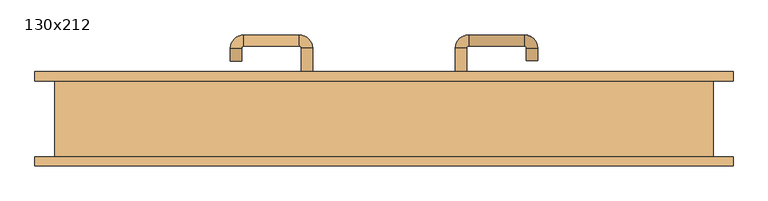
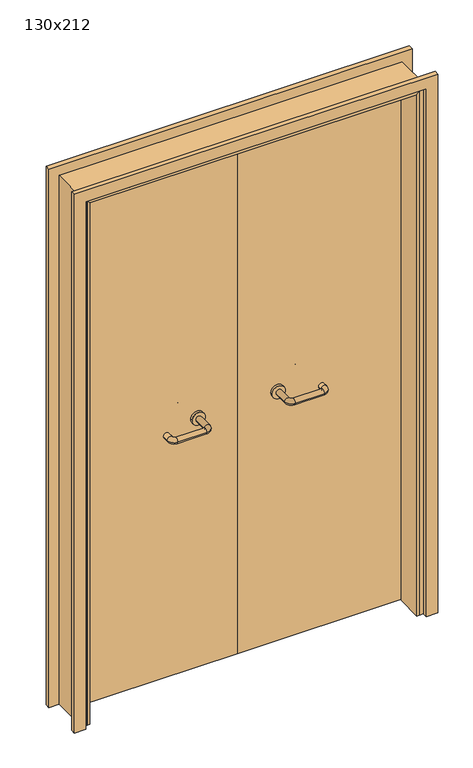
"""IFC4 building model written with IfcOpenShell, lengths in millimetres: door geometry, 130x212."""

from ifc_helpers import new_model, si_unit, point, frame, frame_2d, origin, place, context, project, spatial, polyline, circle_curve, ellipse_curve, trimmed, segment, composite_curve, outline, extrude, faceted_brep, source, transform, mapped, element, save
from ifc_brep_helpers import plane_surface, cylinder_surface, revolved_surface, advanced_brep


def door_130x212_e59250bb(model_context):
    return source(origin(), model_context, "Body", "SolidModel", [
        faceted_brep([(-620.0, 28.0, 0.0), (-620.0, -74.9, 0.0), (-630.0, -74.9, 0.0), (-630.0, 28.0, 0.0), (-620.0, 28.0, 2090.0), (-620.0, -74.9, 2090.0), (-630.0, -74.9, 2100.0), (-630.0, 28.0, 2100.0), (620.0, 28.0, 0.0), (630.0, 28.0, 0.0), (630.0, -74.9, 0.0), (620.0, -74.9, 0.0), (620.0, 28.0, 2090.0), (630.0, 28.0, 2100.0), (630.0, -74.9, 2100.0), (620.0, -74.9, 2090.0)], [[[0, 1, 2, 3]], [[1, 0, 4, 5]], [[2, 1, 5, 6]], [[3, 2, 6, 7]], [[0, 3, 7, 4]], [[8, 9, 10, 11]], [[12, 13, 9, 8]], [[13, 14, 10, 9]], [[14, 15, 11, 10]], [[15, 12, 8, 11]], [[5, 4, 12, 15]], [[6, 5, 15, 14]], [[7, 6, 14, 13]], [[4, 7, 13, 12]]]),
        extrude(outline(polyline([(2159.0, 689.0), (2159.0, -689.0), (0.0, -689.0), (0.0, -645.0), (2115.0, -645.0), (2115.0, 645.0), (0.0, 645.0), (0.0, 689.0), (2159.0, 689.0)])), frame((0.0, 75.0, 0.0), z_axis=(0.0, 1.0, 0.0), x_axis=(0.0, 0.0, 1.0)), (0.0, 0.0, 1.0), 18.0),
        extrude(outline(polyline([(2159.0, -689.0), (0.0, -689.0), (0.0, -645.0), (2115.0, -645.0), (2115.0, 645.0), (0.0, 645.0), (0.0, 689.0), (2159.0, 689.0), (2159.0, -689.0)])), frame((0.0, -93.0, 0.0), z_axis=(0.0, 1.0, 0.0), x_axis=(0.0, 0.0, 1.0)), (0.0, 0.0, 1.0), 18.0),
        extrude(outline(polyline([(2120.0, -650.0), (0.0, -650.0), (0.0, -630.0), (2100.0, -630.0), (2100.0, 630.0), (0.0, 630.0), (0.0, 650.0), (2120.0, 650.0), (2120.0, -650.0)])), frame((0.0, -74.9, 0.0), z_axis=(0.0, 1.0, 0.0), x_axis=(0.0, 0.0, 1.0)), (0.0, 0.0, 1.0), 149.9),
        advanced_brep(
        [(140.99898, 21.0, 1003.0), (162.99898, 21.0, 1003.0), (140.99898, -34.3525369, 1003.0), (162.99898, -34.3525369, 1003.0), (166.99898, -38.3525369, 1003.0), (166.99898, -60.3525369, 1003.0), (276.99898, -60.3525369, 1003.0), (276.99898, -38.3525369, 1003.0), (280.99898, -34.3525369, 1003.0), (302.99898, -34.3525369, 1003.0), (302.99898, -17.0, 1003.0), (280.99898, -17.0, 1003.0)],
        [
            (0, 1, circle_curve(frame((151.99898, 21.0, 1003.0), z_axis=(0.0, 1.0, 0.0), x_axis=(1.0, 0.0, 0.0)), 11.0)),
            (1, 0, circle_curve(frame((151.99898, 21.0, 1003.0), z_axis=(0.0, 1.0, 0.0), x_axis=(1.0, 0.0, 0.0)), 11.0)),
            (0, 2),
            (2, 3, circle_curve(frame((151.99898, -34.3525369, 1003.0), z_axis=(0.0, 1.0, 0.0), x_axis=(1.0, 0.0, 0.0)), 11.0)),
            (3, 1),
            (3, 2, circle_curve(frame((151.99898, -34.3525369, 1003.0), z_axis=(0.0, 1.0, 0.0), x_axis=(1.0, 0.0, 0.0)), 11.0)),
            (4, 3, circle_curve(frame((166.99898, -34.3525369, 1003.0), z_axis=(0.0, 0.0, -1.0), x_axis=(-1.0, 0.0, 0.0)), 4.0)),
            (2, 5, circle_curve(frame((166.99898, -34.3525369, 1003.0), z_axis=(0.0, 0.0, 1.0), x_axis=(-1.0, 0.0, 0.0)), 26.0)),
            (5, 4, circle_curve(frame((166.99898, -49.3525369, 1003.0), z_axis=(-1.0, 0.0, 0.0), x_axis=(0.0, 1.0, 0.0)), 11.0)),
            (4, 5, circle_curve(frame((166.99898, -49.3525369, 1003.0), z_axis=(-1.0, 0.0, 0.0), x_axis=(0.0, 1.0, 0.0)), 11.0)),
            (5, 6),
            (6, 7, circle_curve(frame((276.99898, -49.3525369, 1003.0), z_axis=(-1.0, 0.0, 0.0), x_axis=(0.0, 1.0, 0.0)), 11.0)),
            (7, 4),
            (7, 6, circle_curve(frame((276.99898, -49.3525369, 1003.0), z_axis=(-1.0, 0.0, 0.0), x_axis=(0.0, 1.0, 0.0)), 11.0)),
            (8, 7, circle_curve(frame((276.99898, -34.3525369, 1003.0), z_axis=(0.0, 0.0, -1.0), x_axis=(0.0, -1.0, 0.0)), 4.0)),
            (6, 9, circle_curve(frame((276.99898, -34.3525369, 1003.0), z_axis=(0.0, 0.0, 1.0), x_axis=(0.0, -1.0, 0.0)), 26.0)),
            (9, 8, circle_curve(frame((291.99898, -34.3525369, 1003.0), z_axis=(0.0, -1.0, 0.0), x_axis=(-1.0, 0.0, 0.0)), 11.0)),
            (8, 9, circle_curve(frame((291.99898, -34.3525369, 1003.0), z_axis=(0.0, -1.0, 0.0), x_axis=(-1.0, 0.0, 0.0)), 11.0)),
            (10, 11, circle_curve(frame((291.99898, -17.0, 1003.0), z_axis=(0.0, 1.0, 0.0), x_axis=(-1.0, 0.0, 0.0)), 11.0)),
            (11, 10, circle_curve(frame((291.99898, -17.0, 1003.0), z_axis=(0.0, 1.0, 0.0), x_axis=(-1.0, 0.0, 0.0)), 11.0)),
            (9, 10),
            (11, 8),
        ],
        [
            plane_surface(frame((140.99898, 21.0, 1003.0), z_axis=(0.0, 1.0, 0.0), x_axis=(0.0, 0.0, -1.0))),
            cylinder_surface(frame((151.99898, 21.0, 1003.0), z_axis=(0.0, 1.0, 0.0), x_axis=(1.0, 0.0, 0.0)), 11.0),
            revolved_surface(trimmed(ellipse_curve(frame((151.99898, -34.3525369, 1003.0), z_axis=(0.0, 1.0, 0.0), x_axis=(1.0, 0.0, 0.0)), 11.0, 11.0), [point((140.99898, -34.3525369, 1003.0))], [point((162.99898, -34.3525369, 1003.0))], True, "CARTESIAN"), (166.99898, -34.3525369, 1003.0), (0.0, 0.0, 1.0)),
            revolved_surface(trimmed(ellipse_curve(frame((151.99898, -34.3525369, 1003.0), z_axis=(0.0, 1.0, 0.0), x_axis=(1.0, 0.0, 0.0)), 11.0, 11.0), [point((162.99898, -34.3525369, 1003.0))], [point((140.99898, -34.3525369, 1003.0))], True, "CARTESIAN"), (166.99898, -34.3525369, 1003.0), (0.0, 0.0, 1.0)),
            cylinder_surface(frame((166.99898, -49.3525369, 1003.0), z_axis=(-1.0, 0.0, 0.0), x_axis=(0.0, 1.0, 0.0)), 11.0),
            revolved_surface(trimmed(ellipse_curve(frame((276.99898, -49.3525369, 1003.0), z_axis=(-1.0, 0.0, 0.0), x_axis=(0.0, 1.0, 0.0)), 11.0, 11.0), [point((276.99898, -60.3525369, 1003.0))], [point((276.99898, -38.3525369, 1003.0))], True, "CARTESIAN"), (276.99898, -34.3525369, 1003.0), (0.0, 0.0, 1.0)),
            revolved_surface(trimmed(ellipse_curve(frame((276.99898, -49.3525369, 1003.0), z_axis=(-1.0, 0.0, 0.0), x_axis=(0.0, 1.0, 0.0)), 11.0, 11.0), [point((276.99898, -38.3525369, 1003.0))], [point((276.99898, -60.3525369, 1003.0))], True, "CARTESIAN"), (276.99898, -34.3525369, 1003.0), (0.0, 0.0, 1.0)),
            plane_surface(frame((280.99898, -17.0, 1003.0), z_axis=(0.0, 1.0, 0.0), x_axis=(0.0, 0.0, 1.0))),
            cylinder_surface(frame((291.99898, -34.3525369, 1003.0), z_axis=(0.0, -1.0, 0.0), x_axis=(-1.0, 0.0, 0.0)), 11.0),
        ],
        [
            (0, [[1, 2]]),
            (1, [[-1, 3, 4, 5]]),
            (1, [[-2, -5, 6, -3]]),
            (2, [[7, -4, 8, 9]]),
            (3, [[-8, -6, -7, 10]]),
            (4, [[-9, 11, 12, 13]]),
            (4, [[-10, -13, 14, -11]]),
            (5, [[15, -12, 16, 17]]),
            (6, [[-16, -14, -15, 18]]),
            (7, [[19, 20]]),
            (8, [[-17, 21, -20, 22]]),
            (8, [[-18, -22, -19, -21]]),
        ],
    ),
        extrude(outline(composite_curve([segment(trimmed(circle_curve(frame_2d((1003.0, 151.99898)), 25.0), [point((1003.0, 126.99898))], [point((1003.0, 176.99898))], False, "CARTESIAN"), True, "CONTINUOUS"), segment(trimmed(circle_curve(frame_2d((1003.0, 151.99898)), 25.0), [point((1003.0, 176.99898))], [point((1003.0, 126.99898))], False, "CARTESIAN"), True, "CONTINUOUS")], self_intersect=False)), frame((0.0, 21.0, 0.0), z_axis=(0.0, 1.0, 0.0), x_axis=(0.0, 0.0, 1.0)), (0.0, 0.0, 1.0), 10.0),
        advanced_brep(
        [(162.99898, 85.0, 1003.0), (140.99898, 85.0, 1003.0), (162.99898, 140.0, 1003.0), (140.99898, 140.0, 1003.0), (166.99898, 166.0, 1003.0), (166.99898, 144.0, 1003.0), (276.99898, 144.0, 1003.0), (276.99898, 166.0, 1003.0), (302.99898, 140.0, 1003.0), (280.99898, 140.0, 1003.0), (280.99898, 115.0, 1003.0), (302.99898, 115.0, 1003.0)],
        [
            (0, 1, circle_curve(frame((151.99898, 85.0, 1003.0), z_axis=(0.0, -1.0, 0.0), x_axis=(-1.0, 0.0, 0.0)), 11.0)),
            (1, 0, circle_curve(frame((151.99898, 85.0, 1003.0), z_axis=(0.0, -1.0, 0.0), x_axis=(-1.0, 0.0, 0.0)), 11.0)),
            (0, 2),
            (2, 3, circle_curve(frame((151.99898, 140.0, 1003.0), z_axis=(0.0, -1.0, 0.0), x_axis=(-1.0, 0.0, 0.0)), 11.0)),
            (3, 1),
            (3, 2, circle_curve(frame((151.99898, 140.0, 1003.0), z_axis=(0.0, -1.0, 0.0), x_axis=(-1.0, 0.0, 0.0)), 11.0)),
            (4, 3, circle_curve(frame((166.99898, 140.0, 1003.0), z_axis=(0.0, 0.0, 1.0), x_axis=(-1.0, 0.0, 0.0)), 26.0)),
            (2, 5, circle_curve(frame((166.99898, 140.0, 1003.0), z_axis=(0.0, 0.0, -1.0), x_axis=(-1.0, 0.0, 0.0)), 4.0)),
            (5, 4, circle_curve(frame((166.99898, 155.0, 1003.0), z_axis=(-1.0, 0.0, 0.0), x_axis=(0.0, 1.0, 0.0)), 11.0)),
            (4, 5, circle_curve(frame((166.99898, 155.0, 1003.0), z_axis=(-1.0, 0.0, 0.0), x_axis=(0.0, 1.0, 0.0)), 11.0)),
            (5, 6),
            (6, 7, circle_curve(frame((276.99898, 155.0, 1003.0), z_axis=(-1.0, 0.0, 0.0), x_axis=(0.0, 1.0, 0.0)), 11.0)),
            (7, 4),
            (7, 6, circle_curve(frame((276.99898, 155.0, 1003.0), z_axis=(-1.0, 0.0, 0.0), x_axis=(0.0, 1.0, 0.0)), 11.0)),
            (8, 7, circle_curve(frame((276.99898, 140.0, 1003.0), z_axis=(0.0, 0.0, 1.0), x_axis=(0.0, 1.0, 0.0)), 26.0)),
            (6, 9, circle_curve(frame((276.99898, 140.0, 1003.0), z_axis=(0.0, 0.0, -1.0), x_axis=(0.0, 1.0, 0.0)), 4.0)),
            (9, 8, circle_curve(frame((291.99898, 140.0, 1003.0), z_axis=(0.0, 1.0, 0.0), x_axis=(1.0, 0.0, 0.0)), 11.0)),
            (8, 9, circle_curve(frame((291.99898, 140.0, 1003.0), z_axis=(0.0, 1.0, 0.0), x_axis=(1.0, 0.0, 0.0)), 11.0)),
            (10, 11, circle_curve(frame((291.99898, 115.0, 1003.0), z_axis=(0.0, -1.0, 0.0), x_axis=(1.0, 0.0, 0.0)), 11.0)),
            (11, 10, circle_curve(frame((291.99898, 115.0, 1003.0), z_axis=(0.0, -1.0, 0.0), x_axis=(1.0, 0.0, 0.0)), 11.0)),
            (9, 10),
            (11, 8),
        ],
        [
            plane_surface(frame((140.99898, 85.0, 1003.0), z_axis=(0.0, -1.0, 0.0), x_axis=(0.0, 0.0, 1.0))),
            cylinder_surface(frame((151.99898, 85.0, 1003.0), z_axis=(0.0, -1.0, 0.0), x_axis=(-1.0, 0.0, 0.0)), 11.0),
            revolved_surface(trimmed(ellipse_curve(frame((151.99898, 140.0, 1003.0), z_axis=(0.0, -1.0, 0.0), x_axis=(-1.0, 0.0, 0.0)), 11.0, 11.0), [point((162.99898, 140.0, 1003.0))], [point((140.99898, 140.0, 1003.0))], True, "CARTESIAN"), (166.99898, 140.0, 1003.0), (0.0, 0.0, -1.0)),
            revolved_surface(trimmed(ellipse_curve(frame((151.99898, 140.0, 1003.0), z_axis=(0.0, -1.0, 0.0), x_axis=(-1.0, 0.0, 0.0)), 11.0, 11.0), [point((140.99898, 140.0, 1003.0))], [point((162.99898, 140.0, 1003.0))], True, "CARTESIAN"), (166.99898, 140.0, 1003.0), (0.0, 0.0, -1.0)),
            cylinder_surface(frame((166.99898, 155.0, 1003.0), z_axis=(-1.0, 0.0, 0.0), x_axis=(0.0, 1.0, 0.0)), 11.0),
            revolved_surface(trimmed(ellipse_curve(frame((276.99898, 155.0, 1003.0), z_axis=(-1.0, 0.0, 0.0), x_axis=(0.0, 1.0, 0.0)), 11.0, 11.0), [point((276.99898, 144.0, 1003.0))], [point((276.99898, 166.0, 1003.0))], True, "CARTESIAN"), (276.99898, 140.0, 1003.0), (0.0, 0.0, -1.0)),
            revolved_surface(trimmed(ellipse_curve(frame((276.99898, 155.0, 1003.0), z_axis=(-1.0, 0.0, 0.0), x_axis=(0.0, 1.0, 0.0)), 11.0, 11.0), [point((276.99898, 166.0, 1003.0))], [point((276.99898, 144.0, 1003.0))], True, "CARTESIAN"), (276.99898, 140.0, 1003.0), (0.0, 0.0, -1.0)),
            plane_surface(frame((280.99898, 115.0, 1003.0), z_axis=(0.0, -1.0, 0.0), x_axis=(0.0, 0.0, -1.0))),
            cylinder_surface(frame((291.99898, 140.0, 1003.0), z_axis=(0.0, 1.0, 0.0), x_axis=(1.0, 0.0, 0.0)), 11.0),
        ],
        [
            (0, [[1, 2]]),
            (1, [[-1, 3, 4, 5]]),
            (1, [[-2, -5, 6, -3]]),
            (2, [[7, -4, 8, 9]]),
            (3, [[-8, -6, -7, 10]]),
            (4, [[-9, 11, 12, 13]]),
            (4, [[-10, -13, 14, -11]]),
            (5, [[15, -12, 16, 17]]),
            (6, [[-16, -14, -15, 18]]),
            (7, [[19, 20]]),
            (8, [[-17, 21, -20, 22]]),
            (8, [[-18, -22, -19, -21]]),
        ],
    ),
        extrude(outline(composite_curve([segment(trimmed(circle_curve(frame_2d((1003.0, 151.99898)), 25.0), [point((1003.0, 176.99898))], [point((1003.0, 126.99898))], False, "CARTESIAN"), True, "CONTINUOUS"), segment(trimmed(circle_curve(frame_2d((1003.0, 151.99898)), 25.0), [point((1003.0, 126.99898))], [point((1003.0, 176.99898))], False, "CARTESIAN"), True, "CONTINUOUS")], self_intersect=False)), frame((0.0, 75.0, 0.0), z_axis=(0.0, 1.0, 0.0), x_axis=(0.0, 0.0, 1.0)), (0.0, 0.0, 1.0), 10.0),
        advanced_brep(
        [(-162.99898, 20.6886121, 1003.0), (-140.99898, 20.6886121, 1003.0), (-162.99898, -34.7220447, 1003.0), (-140.99898, -34.7220447, 1003.0), (-166.99898, -60.7220447, 1003.0), (-166.99898, -38.7220447, 1003.0), (-276.99898, -38.7220447, 1003.0), (-276.99898, -60.7220447, 1003.0), (-302.99898, -34.7220447, 1003.0), (-280.99898, -34.7220447, 1003.0), (-280.99898, -9.7220447, 1003.0), (-302.99898, -9.7220447, 1003.0)],
        [
            (0, 1, circle_curve(frame((-151.99898, 20.6886121, 1003.0), z_axis=(0.0, 1.0, 0.0), x_axis=(1.0, 0.0, 0.0)), 11.0)),
            (1, 0, circle_curve(frame((-151.99898, 20.6886121, 1003.0), z_axis=(0.0, 1.0, 0.0), x_axis=(1.0, 0.0, 0.0)), 11.0)),
            (0, 2),
            (2, 3, circle_curve(frame((-151.99898, -34.7220447, 1003.0), z_axis=(0.0, 1.0, 0.0), x_axis=(1.0, 0.0, 0.0)), 11.0)),
            (3, 1),
            (3, 2, circle_curve(frame((-151.99898, -34.7220447, 1003.0), z_axis=(0.0, 1.0, 0.0), x_axis=(1.0, 0.0, 0.0)), 11.0)),
            (4, 3, circle_curve(frame((-166.99898, -34.7220447, 1003.0), z_axis=(0.0, 0.0, 1.0), x_axis=(1.0, 0.0, 0.0)), 26.0)),
            (2, 5, circle_curve(frame((-166.99898, -34.7220447, 1003.0), z_axis=(0.0, 0.0, -1.0), x_axis=(1.0, 0.0, 0.0)), 4.0)),
            (5, 4, circle_curve(frame((-166.99898, -49.7220447, 1003.0), z_axis=(1.0, 0.0, 0.0), x_axis=(0.0, -1.0, 0.0)), 11.0)),
            (4, 5, circle_curve(frame((-166.99898, -49.7220447, 1003.0), z_axis=(1.0, 0.0, 0.0), x_axis=(0.0, -1.0, 0.0)), 11.0)),
            (5, 6),
            (6, 7, circle_curve(frame((-276.99898, -49.7220447, 1003.0), z_axis=(1.0, 0.0, 0.0), x_axis=(0.0, -1.0, 0.0)), 11.0)),
            (7, 4),
            (7, 6, circle_curve(frame((-276.99898, -49.7220447, 1003.0), z_axis=(1.0, 0.0, 0.0), x_axis=(0.0, -1.0, 0.0)), 11.0)),
            (8, 7, circle_curve(frame((-276.99898, -34.7220447, 1003.0), z_axis=(0.0, 0.0, 1.0), x_axis=(0.0, -1.0, 0.0)), 26.0)),
            (6, 9, circle_curve(frame((-276.99898, -34.7220447, 1003.0), z_axis=(0.0, 0.0, -1.0), x_axis=(0.0, -1.0, 0.0)), 4.0)),
            (9, 8, circle_curve(frame((-291.99898, -34.7220447, 1003.0), z_axis=(0.0, -1.0, 0.0), x_axis=(-1.0, 0.0, 0.0)), 11.0)),
            (8, 9, circle_curve(frame((-291.99898, -34.7220447, 1003.0), z_axis=(0.0, -1.0, 0.0), x_axis=(-1.0, 0.0, 0.0)), 11.0)),
            (10, 11, circle_curve(frame((-291.99898, -9.7220447, 1003.0), z_axis=(0.0, 1.0, 0.0), x_axis=(-1.0, 0.0, 0.0)), 11.0)),
            (11, 10, circle_curve(frame((-291.99898, -9.7220447, 1003.0), z_axis=(0.0, 1.0, 0.0), x_axis=(-1.0, 0.0, 0.0)), 11.0)),
            (9, 10),
            (11, 8),
        ],
        [
            plane_surface(frame((-162.99898, 20.6886121, 1003.0), z_axis=(0.0, 1.0, 0.0), x_axis=(0.0, 0.0, -1.0))),
            cylinder_surface(frame((-151.99898, 20.6886121, 1003.0), z_axis=(0.0, 1.0, 0.0), x_axis=(1.0, 0.0, 0.0)), 11.0),
            revolved_surface(trimmed(ellipse_curve(frame((-151.99898, -34.7220447, 1003.0), z_axis=(0.0, 1.0, 0.0), x_axis=(1.0, 0.0, 0.0)), 11.0, 11.0), [point((-162.99898, -34.7220447, 1003.0))], [point((-140.99898, -34.7220447, 1003.0))], True, "CARTESIAN"), (-166.99898, -34.7220447, 1003.0), (0.0, 0.0, -1.0)),
            revolved_surface(trimmed(ellipse_curve(frame((-151.99898, -34.7220447, 1003.0), z_axis=(0.0, 1.0, 0.0), x_axis=(1.0, 0.0, 0.0)), 11.0, 11.0), [point((-140.99898, -34.7220447, 1003.0))], [point((-162.99898, -34.7220447, 1003.0))], True, "CARTESIAN"), (-166.99898, -34.7220447, 1003.0), (0.0, 0.0, -1.0)),
            cylinder_surface(frame((-166.99898, -49.7220447, 1003.0), z_axis=(1.0, 0.0, 0.0), x_axis=(0.0, -1.0, 0.0)), 11.0),
            revolved_surface(trimmed(ellipse_curve(frame((-276.99898, -49.7220447, 1003.0), z_axis=(1.0, 0.0, 0.0), x_axis=(0.0, -1.0, 0.0)), 11.0, 11.0), [point((-276.99898, -38.7220447, 1003.0))], [point((-276.99898, -60.7220447, 1003.0))], True, "CARTESIAN"), (-276.99898, -34.7220447, 1003.0), (0.0, 0.0, -1.0)),
            revolved_surface(trimmed(ellipse_curve(frame((-276.99898, -49.7220447, 1003.0), z_axis=(1.0, 0.0, 0.0), x_axis=(0.0, -1.0, 0.0)), 11.0, 11.0), [point((-276.99898, -60.7220447, 1003.0))], [point((-276.99898, -38.7220447, 1003.0))], True, "CARTESIAN"), (-276.99898, -34.7220447, 1003.0), (0.0, 0.0, -1.0)),
            plane_surface(frame((-302.99898, -9.7220447, 1003.0), z_axis=(0.0, 1.0, 0.0), x_axis=(0.0, 0.0, 1.0))),
            cylinder_surface(frame((-291.99898, -34.7220447, 1003.0), z_axis=(0.0, -1.0, 0.0), x_axis=(-1.0, 0.0, 0.0)), 11.0),
        ],
        [
            (0, [[1, 2]]),
            (1, [[-1, 3, 4, 5]]),
            (1, [[-2, -5, 6, -3]]),
            (2, [[7, -4, 8, 9]]),
            (3, [[-8, -6, -7, 10]]),
            (4, [[-9, 11, 12, 13]]),
            (4, [[-10, -13, 14, -11]]),
            (5, [[15, -12, 16, 17]]),
            (6, [[-16, -14, -15, 18]]),
            (7, [[19, 20]]),
            (8, [[-17, 21, -20, 22]]),
            (8, [[-18, -22, -19, -21]]),
        ],
    ),
        extrude(outline(composite_curve([segment(trimmed(circle_curve(frame_2d((1003.0, -151.99898)), 25.0), [point((1003.0, -176.99898))], [point((1003.0, -126.99898))], False, "CARTESIAN"), True, "CONTINUOUS"), segment(trimmed(circle_curve(frame_2d((1003.0, -151.99898)), 25.0), [point((1003.0, -126.99898))], [point((1003.0, -176.99898))], False, "CARTESIAN"), True, "CONTINUOUS")], self_intersect=False)), frame((0.0, 20.6886121, 0.0), z_axis=(0.0, 1.0, 0.0), x_axis=(0.0, 0.0, 1.0)), (0.0, 0.0, 1.0), 10.3113879),
        advanced_brep(
        [(-140.99898, 84.5143417, 1003.0), (-162.99898, 84.5143417, 1003.0), (-140.99898, 139.6104656, 1003.0), (-162.99898, 139.6104656, 1003.0), (-166.99898, 143.6104656, 1003.0), (-166.99898, 165.6104656, 1003.0), (-276.99898, 165.6104656, 1003.0), (-276.99898, 143.6104656, 1003.0), (-280.99898, 139.6104656, 1003.0), (-302.99898, 139.6104656, 1003.0), (-302.99898, 114.6104656, 1003.0), (-280.99898, 114.6104656, 1003.0)],
        [
            (0, 1, circle_curve(frame((-151.99898, 84.5143417, 1003.0), z_axis=(0.0, -1.0, 0.0), x_axis=(-1.0, 0.0, 0.0)), 11.0)),
            (1, 0, circle_curve(frame((-151.99898, 84.5143417, 1003.0), z_axis=(0.0, -1.0, 0.0), x_axis=(-1.0, 0.0, 0.0)), 11.0)),
            (0, 2),
            (2, 3, circle_curve(frame((-151.99898, 139.6104656, 1003.0), z_axis=(0.0, -1.0, 0.0), x_axis=(-1.0, 0.0, 0.0)), 11.0)),
            (3, 1),
            (3, 2, circle_curve(frame((-151.99898, 139.6104656, 1003.0), z_axis=(0.0, -1.0, 0.0), x_axis=(-1.0, 0.0, 0.0)), 11.0)),
            (4, 3, circle_curve(frame((-166.99898, 139.6104656, 1003.0), z_axis=(0.0, 0.0, -1.0), x_axis=(1.0, 0.0, 0.0)), 4.0)),
            (2, 5, circle_curve(frame((-166.99898, 139.6104656, 1003.0), z_axis=(0.0, 0.0, 1.0), x_axis=(1.0, 0.0, 0.0)), 26.0)),
            (5, 4, circle_curve(frame((-166.99898, 154.6104656, 1003.0), z_axis=(1.0, 0.0, 0.0), x_axis=(0.0, -1.0, 0.0)), 11.0)),
            (4, 5, circle_curve(frame((-166.99898, 154.6104656, 1003.0), z_axis=(1.0, 0.0, 0.0), x_axis=(0.0, -1.0, 0.0)), 11.0)),
            (5, 6),
            (6, 7, circle_curve(frame((-276.99898, 154.6104656, 1003.0), z_axis=(1.0, 0.0, 0.0), x_axis=(0.0, -1.0, 0.0)), 11.0)),
            (7, 4),
            (7, 6, circle_curve(frame((-276.99898, 154.6104656, 1003.0), z_axis=(1.0, 0.0, 0.0), x_axis=(0.0, -1.0, 0.0)), 11.0)),
            (8, 7, circle_curve(frame((-276.99898, 139.6104656, 1003.0), z_axis=(0.0, 0.0, -1.0), x_axis=(0.0, 1.0, 0.0)), 4.0)),
            (6, 9, circle_curve(frame((-276.99898, 139.6104656, 1003.0), z_axis=(0.0, 0.0, 1.0), x_axis=(0.0, 1.0, 0.0)), 26.0)),
            (9, 8, circle_curve(frame((-291.99898, 139.6104656, 1003.0), z_axis=(0.0, 1.0, 0.0), x_axis=(1.0, 0.0, 0.0)), 11.0)),
            (8, 9, circle_curve(frame((-291.99898, 139.6104656, 1003.0), z_axis=(0.0, 1.0, 0.0), x_axis=(1.0, 0.0, 0.0)), 11.0)),
            (10, 11, circle_curve(frame((-291.99898, 114.6104656, 1003.0), z_axis=(0.0, -1.0, 0.0), x_axis=(1.0, 0.0, 0.0)), 11.0)),
            (11, 10, circle_curve(frame((-291.99898, 114.6104656, 1003.0), z_axis=(0.0, -1.0, 0.0), x_axis=(1.0, 0.0, 0.0)), 11.0)),
            (9, 10),
            (11, 8),
        ],
        [
            plane_surface(frame((-162.99898, 84.5143417, 1003.0), z_axis=(0.0, -1.0, 0.0), x_axis=(0.0, 0.0, 1.0))),
            cylinder_surface(frame((-151.99898, 84.5143417, 1003.0), z_axis=(0.0, -1.0, 0.0), x_axis=(-1.0, 0.0, 0.0)), 11.0),
            revolved_surface(trimmed(ellipse_curve(frame((-151.99898, 139.6104656, 1003.0), z_axis=(0.0, -1.0, 0.0), x_axis=(-1.0, 0.0, 0.0)), 11.0, 11.0), [point((-140.99898, 139.6104656, 1003.0))], [point((-162.99898, 139.6104656, 1003.0))], True, "CARTESIAN"), (-166.99898, 139.6104656, 1003.0), (0.0, 0.0, 1.0)),
            revolved_surface(trimmed(ellipse_curve(frame((-151.99898, 139.6104656, 1003.0), z_axis=(0.0, -1.0, 0.0), x_axis=(-1.0, 0.0, 0.0)), 11.0, 11.0), [point((-162.99898, 139.6104656, 1003.0))], [point((-140.99898, 139.6104656, 1003.0))], True, "CARTESIAN"), (-166.99898, 139.6104656, 1003.0), (0.0, 0.0, 1.0)),
            cylinder_surface(frame((-166.99898, 154.6104656, 1003.0), z_axis=(1.0, 0.0, 0.0), x_axis=(0.0, -1.0, 0.0)), 11.0),
            revolved_surface(trimmed(ellipse_curve(frame((-276.99898, 154.6104656, 1003.0), z_axis=(1.0, 0.0, 0.0), x_axis=(0.0, -1.0, 0.0)), 11.0, 11.0), [point((-276.99898, 165.6104656, 1003.0))], [point((-276.99898, 143.6104656, 1003.0))], True, "CARTESIAN"), (-276.99898, 139.6104656, 1003.0), (0.0, 0.0, 1.0)),
            revolved_surface(trimmed(ellipse_curve(frame((-276.99898, 154.6104656, 1003.0), z_axis=(1.0, 0.0, 0.0), x_axis=(0.0, -1.0, 0.0)), 11.0, 11.0), [point((-276.99898, 143.6104656, 1003.0))], [point((-276.99898, 165.6104656, 1003.0))], True, "CARTESIAN"), (-276.99898, 139.6104656, 1003.0), (0.0, 0.0, 1.0)),
            plane_surface(frame((-302.99898, 114.6104656, 1003.0), z_axis=(0.0, -1.0, 0.0), x_axis=(0.0, 0.0, -1.0))),
            cylinder_surface(frame((-291.99898, 139.6104656, 1003.0), z_axis=(0.0, 1.0, 0.0), x_axis=(1.0, 0.0, 0.0)), 11.0),
        ],
        [
            (0, [[1, 2]]),
            (1, [[-1, 3, 4, 5]]),
            (1, [[-2, -5, 6, -3]]),
            (2, [[7, -4, 8, 9]]),
            (3, [[-8, -6, -7, 10]]),
            (4, [[-9, 11, 12, 13]]),
            (4, [[-10, -13, 14, -11]]),
            (5, [[15, -12, 16, 17]]),
            (6, [[-16, -14, -15, 18]]),
            (7, [[19, 20]]),
            (8, [[-17, 21, -20, 22]]),
            (8, [[-18, -22, -19, -21]]),
        ],
    ),
        extrude(outline(composite_curve([segment(trimmed(circle_curve(frame_2d((1003.0, -151.99898)), 25.0), [point((1003.0, -126.99898))], [point((1003.0, -176.99898))], False, "CARTESIAN"), True, "CONTINUOUS"), segment(trimmed(circle_curve(frame_2d((1003.0, -151.99898)), 25.0), [point((1003.0, -176.99898))], [point((1003.0, -126.99898))], False, "CARTESIAN"), True, "CONTINUOUS")], self_intersect=False)), frame((0.0, 75.0, 0.0), z_axis=(0.0, 1.0, 0.0), x_axis=(0.0, 0.0, 1.0)), (0.0, 0.0, 1.0), 9.5143417),
        extrude(outline(polyline([(1.0739506, 31.0), (-627.0, 31.0), (-627.0, 75.0), (1.0739506, 75.0), (1.0739506, 31.0)])), frame((0.0, 0.0, 1.753223), z_axis=(0.0, 0.0, 1.0), x_axis=(1.0, 0.0, 0.0)), (0.0, 0.0, 1.0), 2098.246777),
        extrude(outline(polyline([(627.0, 31.0), (1.0739506, 31.0), (1.0739506, 75.0), (627.0, 75.0), (627.0, 31.0)])), frame((0.0, 0.0, 1.753223), z_axis=(0.0, 0.0, 1.0), x_axis=(1.0, 0.0, 0.0)), (0.0, 0.0, 1.0), 2098.246777),
    ])


if __name__ == "__main__":
    model = new_model("IFC4")
    model_context = context("Model", 3, world=origin())
    ifc_project = project(units=[si_unit("LENGTHUNIT", "METRE", prefix="MILLI")], contexts=[model_context])
    site = spatial("IfcSite", under=ifc_project)
    building = spatial("IfcBuilding", under=site)
    placement = place(None, origin())
    door_130x212_shape = door_130x212_e59250bb(model_context)
    element("IfcDoor", 1, ObjectType="130x212", at=placement, inside=building, context=model_context, shape_type="MappedRepresentation", body=[
        mapped(door_130x212_shape, transform((0.0, 0.0, 0.0), x_axis=(1.0, 0.0, 0.0), y_axis=(0.0, 1.0, 0.0), z_axis=(0.0, 0.0, 1.0))),
    ])
    save(model, "model.ifc")
